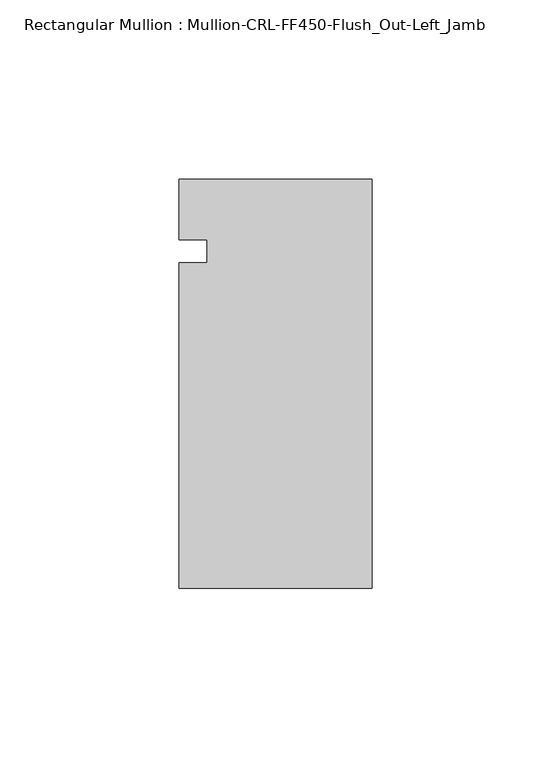
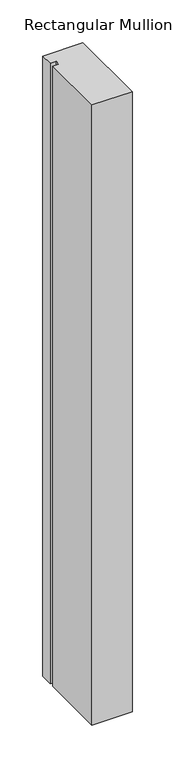
"""IFC4 building model written with IfcOpenShell, lengths in millimetres: member geometry, Rectangular Mullion : Mullion-CRL-FF450-Flush_Out-Left_Jamb."""

from ifc_helpers import new_model, si_unit, frame, origin, place, context, project, spatial, polyline, outline, extrude, source, transform, mapped, element, save


def rectangular_mullion_mullion_crl_ff450_flush_out_left_jamb_85d25bcf(model_context):
    return source(origin(), model_context, "Body", "SweptSolid", [
        extrude(outline(polyline([(-53.9750401, -94.139185), (-53.9750401, -3.1555912), (-46.0375401, -3.1555912), (-46.0375401, 3.1944088), (-53.9750401, 3.1944088), (-53.9750401, 20.160815), (0.0, 20.160815), (0.0, -94.139185), (-53.9750401, -94.139185)])), frame((0.0, 0.0, -882.65), z_axis=(0.0, 0.0, 1.0), x_axis=(1.0, 0.0, 0.0)), (0.0, 0.0, 1.0), 882.65),
    ])


if __name__ == "__main__":
    model = new_model("IFC4")
    model_context = context("Model", 3, world=origin())
    ifc_project = project(units=[si_unit("LENGTHUNIT", "METRE", prefix="MILLI")], contexts=[model_context])
    site = spatial("IfcSite", under=ifc_project)
    building = spatial("IfcBuilding", under=site)
    placement = place(None, origin())
    rectangular_mullion_mullion_crl_ff450_flush_out_left_jamb_shape = rectangular_mullion_mullion_crl_ff450_flush_out_left_jamb_85d25bcf(model_context)
    element("IfcMember", 1, ObjectType="Rectangular Mullion : Mullion-CRL-FF450-Flush_Out-Left_Jamb", at=placement, inside=building, context=model_context, shape_type="MappedRepresentation", body=[
        mapped(rectangular_mullion_mullion_crl_ff450_flush_out_left_jamb_shape, transform((0.0, 0.0, 0.0), x_axis=(1.0, 0.0, 0.0), y_axis=(0.0, 1.0, 0.0), z_axis=(0.0, 0.0, 1.0))),
    ])
    save(model, "model.ifc")
